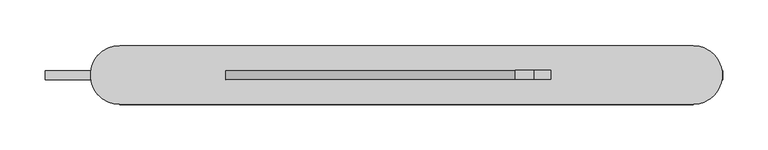
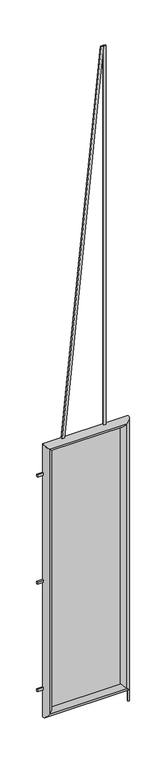
"""IFC4 building model written with IfcOpenShell, lengths in millimetres: proxy geometry."""

from ifc_helpers import new_model, si_unit, frame, origin, origin_with_axes, place, context, project, spatial, polyline, ellipse_curve, outline, extrude, source, transform, mapped, element, save
from ifc_brep_helpers import cylinder_surface, advanced_brep


def generic_models_610193be(model_context):
    return source(origin(), model_context, "Body", "SolidModel", [
        extrude(outline(polyline([(50.0, -5.0), (0.0, -5.0), (0.0, 5.0), (50.0, 5.0), (50.0, -5.0)])), frame((0.0, 0.0, 340.0), z_axis=(0.0, 0.0, 1.0), x_axis=(1.0, 0.0, 0.0)), (0.0, 0.0, 1.0), 20.0),
        extrude(outline(polyline([(50.0, -5.0), (0.0, -5.0), (0.0, 5.0), (50.0, 5.0), (50.0, -5.0)])), frame((0.0, 0.0, 2190.0), z_axis=(0.0, 0.0, 1.0), x_axis=(1.0, 0.0, 0.0)), (0.0, 0.0, 1.0), 20.0),
        extrude(outline(polyline([(50.0, -5.0), (0.0, -5.0), (0.0, 5.0), (50.0, 5.0), (50.0, -5.0)])), frame((0.0, 0.0, 1265.0), z_axis=(0.0, 0.0, 1.0), x_axis=(1.0, 0.0, 0.0)), (0.0, 0.0, 1.0), 20.0),
        extrude(outline(polyline([(750.0, -5.0), (740.0, -5.0), (740.0, 5.0), (750.0, 5.0), (750.0, -5.0)])), origin_with_axes(), (0.0, 0.0, 1.0), 100.0),
        advanced_brep(
        [(82.5, -32.5, 2417.0), (82.5, 32.5, 2417.0), (82.5, 32.5, 133.0), (82.5, -32.5, 133.0), (717.0, 32.5, 133.0), (717.0, -32.5, 133.0), (717.0, 32.5, 2417.0), (717.0, -32.5, 2417.0)],
        [
            (0, 1, ellipse_curve(frame((82.5, 0.0, 2417.0), z_axis=(-0.7071067811865475, 0.0, -0.7071067811865475), x_axis=(-0.7071067811865474, 0.0, 0.7071067811865476)), 45.9619408, 32.5)),
            (1, 2),
            (2, 3, ellipse_curve(frame((82.5, 0.0, 133.0), z_axis=(-0.7071067811865475, 0.0, 0.7071067811865475), x_axis=(0.7071067811865474, 0.0, 0.7071067811865476)), 45.9619408, 32.5)),
            (3, 0),
            (1, 0, ellipse_curve(frame((82.5, 0.0, 2417.0), z_axis=(-0.7071067811865475, 0.0, -0.7071067811865475), x_axis=(-0.7071067811865474, 0.0, 0.7071067811865476)), 45.9619408, 32.5)),
            (3, 2, ellipse_curve(frame((82.5, 0.0, 133.0), z_axis=(-0.7071067811865475, 0.0, 0.7071067811865475), x_axis=(0.7071067811865474, 0.0, 0.7071067811865476)), 45.9619408, 32.5)),
            (2, 4),
            (4, 5, ellipse_curve(frame((717.0, 0.0, 133.0), z_axis=(-0.7071067811865475, 0.0, -0.7071067811865475), x_axis=(-0.7071067811865476, 0.0, 0.7071067811865474)), 45.9619408, 32.5)),
            (5, 3),
            (5, 4, ellipse_curve(frame((717.0, 0.0, 133.0), z_axis=(-0.7071067811865475, 0.0, -0.7071067811865475), x_axis=(-0.7071067811865476, 0.0, 0.7071067811865474)), 45.9619408, 32.5)),
            (4, 6),
            (6, 7, ellipse_curve(frame((717.0, 0.0, 2417.0), z_axis=(0.7071067811865475, 0.0, -0.7071067811865475), x_axis=(-0.7071067811865474, 0.0, -0.7071067811865476)), 45.9619408, 32.5)),
            (7, 5),
            (7, 6, ellipse_curve(frame((717.0, 0.0, 2417.0), z_axis=(0.7071067811865475, 0.0, -0.7071067811865475), x_axis=(-0.7071067811865474, 0.0, -0.7071067811865476)), 45.9619408, 32.5)),
            (6, 1),
            (0, 7),
        ],
        [
            cylinder_surface(frame((82.5, 0.0, 2417.0), z_axis=(0.0, 0.0, 1.0), x_axis=(0.0, -1.0, 0.0)), 32.5),
            cylinder_surface(frame((82.5, 0.0, 133.0), z_axis=(-1.0, 0.0, 0.0), x_axis=(0.0, -1.0, 0.0)), 32.5),
            cylinder_surface(frame((717.0, 0.0, 133.0), z_axis=(0.0, 0.0, -1.0), x_axis=(0.0, -1.0, 0.0)), 32.5),
            cylinder_surface(frame((717.0, 0.0, 2417.0), z_axis=(1.0, 0.0, 0.0), x_axis=(0.0, -1.0, 0.0)), 32.5),
        ],
        [
            (0, [[1, 2, 3, 4]]),
            (0, [[5, -4, 6, -2]]),
            (1, [[-3, 7, 8, 9]]),
            (1, [[-6, -9, 10, -7]]),
            (2, [[-8, 11, 12, 13]]),
            (2, [[-10, -13, 14, -11]]),
            (3, [[-12, 15, -1, 16]]),
            (3, [[-14, -16, -5, -15]]),
        ],
    ),
        extrude(outline(polyline([(717.0, -1.0998408), (82.5, -1.0998408), (82.5, 1.3837772), (717.0, 1.3837772), (717.0, -1.0998408)])), frame((0.0, 0.0, 133.0), z_axis=(0.0, 0.0, 1.0), x_axis=(1.0, 0.0, 0.0)), (0.0, 0.0, 1.0), 2284.0),
        extrude(outline(polyline([(2450.0, 199.8161242), (2450.0, 219.9262898), (5717.0, 540.4942074), (5717.0, 520.3840418), (2450.0, 199.8161242)])), frame((0.0, -5.0, 0.0), z_axis=(0.0, 1.0, 0.0), x_axis=(0.0, 0.0, 1.0)), (0.0, 0.0, 1.0), 10.0),
        extrude(outline(polyline([(559.8070431, -5.0), (539.8070431, -5.0), (539.8070431, 5.0), (559.8070431, 5.0), (559.8070431, -5.0)])), frame((0.0, 0.0, 2450.0), z_axis=(0.0, 0.0, 1.0), x_axis=(1.0, 0.0, 0.0)), (0.0, 0.0, 1.0), 3267.0),
    ])


if __name__ == "__main__":
    model = new_model("IFC4")
    model_context = context("Model", 3, world=origin())
    ifc_project = project(units=[si_unit("LENGTHUNIT", "METRE", prefix="MILLI")], contexts=[model_context])
    site = spatial("IfcSite", under=ifc_project)
    building = spatial("IfcBuilding", under=site)
    placement = place(None, origin())
    generic_models_shape = generic_models_610193be(model_context)
    element("IfcBuildingElementProxy", 1, Name="Generic Models", at=placement, inside=building, context=model_context, shape_type="MappedRepresentation", body=[
        mapped(generic_models_shape, transform((0.0, 0.0, 0.0), x_axis=(1.0, 0.0, 0.0), y_axis=(0.0, 1.0, 0.0), z_axis=(0.0, 0.0, 1.0))),
    ])
    save(model, "model.ifc")
